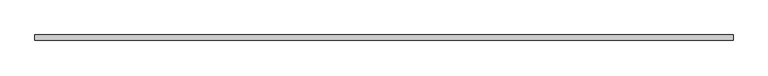
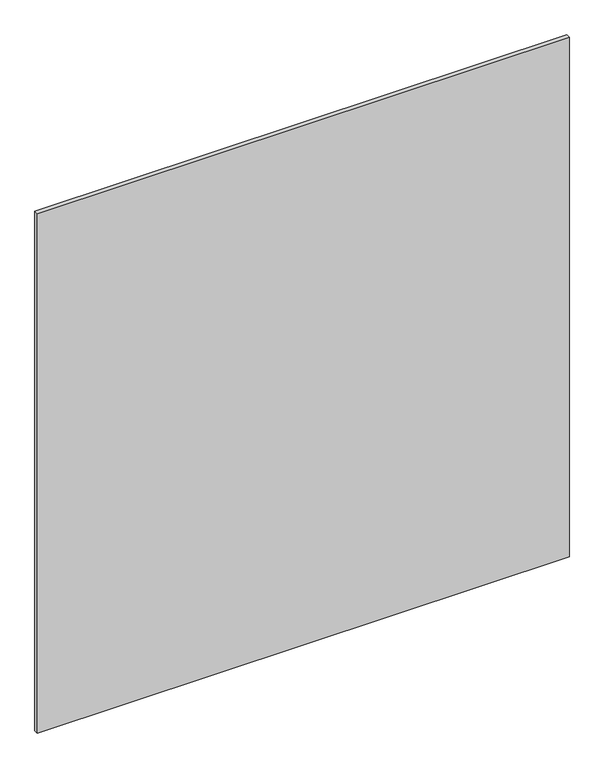
"""IFC4 building model written with IfcOpenShell, lengths in millimetres: plate geometry."""

from ifc_helpers import new_model, si_unit, origin, origin_with_axes, place, context, project, spatial, polyline, outline, extrude, source, transform, mapped, element, save


def plate_a7dd73d7(model_context):
    return source(origin(), model_context, "Body", "SweptSolid", [
        extrude(outline(polyline([(625.0, 5.0), (625.0, -5.0), (-625.0, -5.0), (-625.0, 5.0), (625.0, 5.0)])), origin_with_axes(), (0.0, 0.0, 1.0), 1290.0),
    ])


if __name__ == "__main__":
    model = new_model("IFC4")
    model_context = context("Model", 3, world=origin())
    ifc_project = project(units=[si_unit("LENGTHUNIT", "METRE", prefix="MILLI")], contexts=[model_context])
    site = spatial("IfcSite", under=ifc_project)
    building = spatial("IfcBuilding", under=site)
    placement = place(None, origin())
    plate_shape = plate_a7dd73d7(model_context)
    element("IfcPlate", 1, at=placement, inside=building, context=model_context, shape_type="MappedRepresentation", body=[
        mapped(plate_shape, transform((0.0, 0.0, 0.0), x_axis=(1.0, 0.0, 0.0), y_axis=(0.0, 1.0, 0.0), z_axis=(0.0, 0.0, 1.0))),
    ])
    save(model, "model.ifc")
